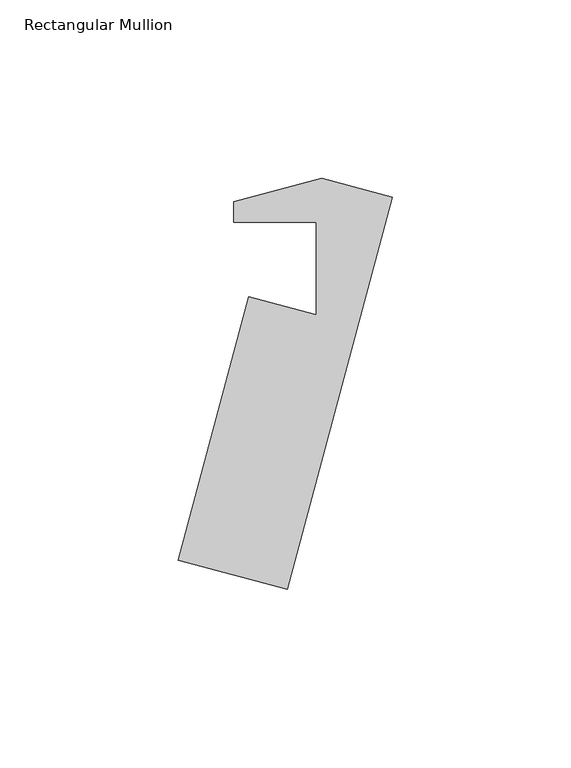
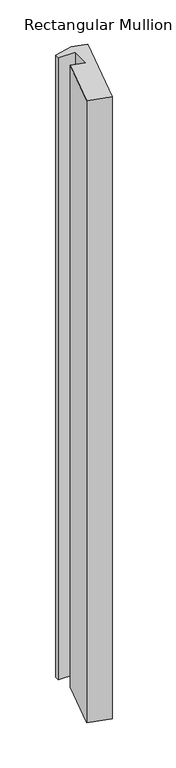
"""IFC4 building model written with IfcOpenShell, lengths in millimetres: member geometry, Rectangular Mullion."""

from ifc_helpers import new_model, si_unit, frame, origin, place, context, project, spatial, polyline, outline, extrude, source, transform, mapped, element, save


def rectangular_mullion_4488c663(model_context):
    return source(origin(), model_context, "Body", "SweptSolid", [
        extrude(outline(polyline([(3.1873155, 11.8952233), (-26.3044379, -98.1694988), (-56.9725829, -89.9519941), (-37.1651096, -16.0294974), (-18.2474631, -21.0984656), (-18.2474631, 4.8060016), (-41.3984584, 4.8060016), (-41.3984584, 10.6166788), (-16.7197749, 17.2293121), (3.1873155, 11.8952233)])), frame((0.0, 0.0, -906.5617187), z_axis=(0.0, 0.0, 1.0), x_axis=(1.0, 0.0, 0.0)), (0.0, 0.0, 1.0), 906.5617187),
    ])


if __name__ == "__main__":
    model = new_model("IFC4")
    model_context = context("Model", 3, world=origin())
    ifc_project = project(units=[si_unit("LENGTHUNIT", "METRE", prefix="MILLI")], contexts=[model_context])
    site = spatial("IfcSite", under=ifc_project)
    building = spatial("IfcBuilding", under=site)
    placement = place(None, origin())
    rectangular_mullion_shape = rectangular_mullion_4488c663(model_context)
    element("IfcMember", 1, ObjectType="Rectangular Mullion", at=placement, inside=building, context=model_context, shape_type="MappedRepresentation", body=[
        mapped(rectangular_mullion_shape, transform((0.0, 0.0, 0.0), x_axis=(1.0, 0.0, 0.0), y_axis=(0.0, 1.0, 0.0), z_axis=(0.0, 0.0, 1.0))),
    ])
    save(model, "model.ifc")
